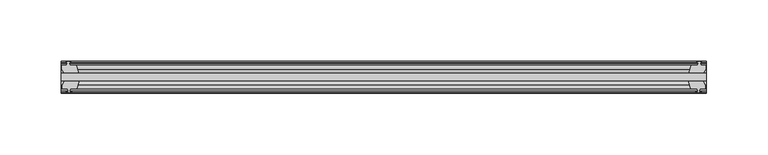
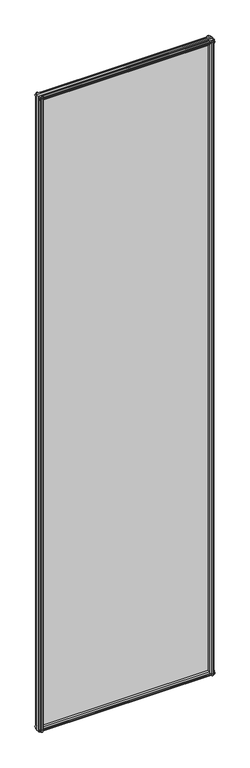
"""IFC4 building model written with IfcOpenShell, lengths in millimetres: plate geometry."""

from ifc_helpers import new_model, si_unit, frame, origin, place, context, project, spatial, polyline, outline, extrude, source, transform, mapped, element, save


def plate_40c0eb95(model_context):
    return source(origin(), model_context, "Body", "SweptSolid", [
        extrude(outline(polyline([(-263.525, -19.5460937), (263.525, -19.5460937), (263.525, -25.8960937), (-263.525, -25.8960937), (-263.525, -19.5460937)])), frame((0.0, 0.0, -12.7), z_axis=(0.0, 0.0, 1.0), x_axis=(1.0, 0.0, 0.0)), (0.0, 0.0, 1.0), 2019.3),
        extrude(outline(polyline([(260.5503038, -25.8960937), (262.763, -29.2996938), (262.763, -32.2460938), (258.318, -32.2460938), (257.937, -34.6262907), (259.3525291, -34.1663575), (259.3525291, -34.9675717), (257.175, -35.6750938), (254.9974709, -34.9675717), (254.9974709, -34.1663575), (256.413, -34.6262907), (256.032, -32.2460938), (250.825, -32.2460938), (248.7197229, -25.8960937), (260.5503038, -25.8960937)])), frame((0.0, 0.0, -12.7), z_axis=(0.0, 0.0, 1.0), x_axis=(1.0, 0.0, 0.0)), (0.0, 0.0, 1.0), 2019.3),
        extrude(outline(polyline([(255.5181709, -10.4746158), (257.6957, -9.7670938), (259.873229, -10.4746158), (259.873229, -11.27583), (258.4577, -10.8158968), (258.8387, -13.1960938), (263.2837, -13.1960938), (263.2837, -16.1424938), (261.0710038, -19.5460937), (249.2404229, -19.5460937), (251.3457, -13.1960938), (256.5527, -13.1960938), (256.9337, -10.8158968), (255.5181709, -11.27583), (255.5181709, -10.4746158)])), frame((0.0, 0.0, -12.7), z_axis=(0.0, 0.0, 1.0), x_axis=(1.0, 0.0, 0.0)), (0.0, 0.0, 1.0), 2019.3),
        extrude(outline(polyline([(-248.7197229, -25.8960937), (-250.825, -32.2460937), (-256.032, -32.2460937), (-256.413, -34.6262907), (-254.9974709, -34.1663575), (-254.9974709, -34.9675717), (-257.175, -35.6750937), (-259.3525291, -34.9675717), (-259.3525291, -34.1663575), (-257.937, -34.6262907), (-258.318, -32.2460937), (-262.763, -32.2460937), (-262.763, -29.2996937), (-260.5503038, -25.8960937), (-248.7197229, -25.8960937)])), frame((0.0, 0.0, -12.7), z_axis=(0.0, 0.0, 1.0), x_axis=(1.0, 0.0, 0.0)), (0.0, 0.0, 1.0), 2019.3),
        extrude(outline(polyline([(-258.4577, -10.8158968), (-259.873229, -11.27583), (-259.873229, -10.4746158), (-257.6957, -9.7670937), (-255.5181709, -10.4746158), (-255.5181709, -11.27583), (-256.9337, -10.8158968), (-256.5527, -13.1960937), (-251.3457, -13.1960937), (-249.2404229, -19.5460937), (-261.0710038, -19.5460937), (-263.2837, -16.1424937), (-263.2837, -13.1960937), (-258.8387, -13.1960937), (-258.4577, -10.8158968)])), frame((0.0, 0.0, -12.7), z_axis=(0.0, 0.0, 1.0), x_axis=(1.0, 0.0, 0.0)), (0.0, 0.0, 1.0), 2019.3),
        extrude(outline(polyline([(-13.1960937, 2006.3587), (-13.1960937, 2001.9137), (-10.8158968, 2001.5327), (-11.27583, 2002.9482291), (-10.4746158, 2002.9482291), (-9.7670937, 2000.7707), (-10.4746158, 1998.5931709), (-11.27583, 1998.5931709), (-10.8158968, 2000.0087), (-13.1960937, 1999.6277), (-13.1960937, 1994.4207), (-19.5460937, 1992.3154229), (-19.5460937, 2004.1460038), (-16.1424937, 2006.3587), (-13.1960937, 2006.3587)])), frame((-263.525, 0.0, 0.0), z_axis=(1.0, 0.0, 0.0), x_axis=(0.0, 1.0, 0.0)), (0.0, 0.0, 1.0), 527.05),
        extrude(outline(polyline([(-29.2996937, 2005.838), (-25.8960937, 2003.6253038), (-25.8960937, 1991.7947229), (-32.2460937, 1993.9), (-32.2460937, 1999.107), (-34.6262907, 1999.488), (-34.1663575, 1998.072471), (-34.9675717, 1998.072471), (-35.6750937, 2000.25), (-34.9675717, 2002.4275291), (-34.1663575, 2002.4275291), (-34.6262907, 2001.012), (-32.2460937, 2001.393), (-32.2460937, 2005.838), (-29.2996937, 2005.838)])), frame((-263.525, 0.0, 0.0), z_axis=(1.0, 0.0, 0.0), x_axis=(0.0, 1.0, 0.0)), (0.0, 0.0, 1.0), 527.05),
        extrude(outline(polyline([(-25.8960937, 2.1052771), (-25.8960937, -9.7253038), (-29.2996937, -11.938), (-32.2460937, -11.938), (-32.2460937, -7.493), (-34.6262907, -7.112), (-34.1663575, -8.5275291), (-34.9675717, -8.5275291), (-35.6750937, -6.35), (-34.9675717, -4.1724709), (-34.1663575, -4.1724709), (-34.6262907, -5.588), (-32.2460937, -5.207), (-32.2460937, 0.0), (-25.8960937, 2.1052771)])), frame((-263.525, 0.0, 0.0), z_axis=(1.0, 0.0, 0.0), x_axis=(0.0, 1.0, 0.0)), (0.0, 0.0, 1.0), 527.05),
        extrude(outline(polyline([(-19.5460937, 1.5845771), (-13.1960937, -0.5207), (-13.1960937, -5.7277), (-10.8158968, -6.1087), (-11.27583, -4.6931709), (-10.4746158, -4.6931709), (-9.7670937, -6.8707), (-10.4746158, -9.048229), (-11.27583, -9.048229), (-10.8158968, -7.6327), (-13.1960937, -8.0137), (-13.1960937, -12.4587), (-16.1424937, -12.4587), (-19.5460937, -10.2460038), (-19.5460937, 1.5845771)])), frame((-263.525, 0.0, 0.0), z_axis=(1.0, 0.0, 0.0), x_axis=(0.0, 1.0, 0.0)), (0.0, 0.0, 1.0), 527.05),
    ])


if __name__ == "__main__":
    model = new_model("IFC4")
    model_context = context("Model", 3, world=origin())
    ifc_project = project(units=[si_unit("LENGTHUNIT", "METRE", prefix="MILLI")], contexts=[model_context])
    site = spatial("IfcSite", under=ifc_project)
    building = spatial("IfcBuilding", under=site)
    placement = place(None, origin())
    plate_shape = plate_40c0eb95(model_context)
    element("IfcPlate", 1, at=placement, inside=building, context=model_context, shape_type="MappedRepresentation", body=[
        mapped(plate_shape, transform((0.0, 0.0, 0.0), x_axis=(1.0, 0.0, 0.0), y_axis=(0.0, 1.0, 0.0), z_axis=(0.0, 0.0, 1.0))),
    ])
    save(model, "model.ifc")
